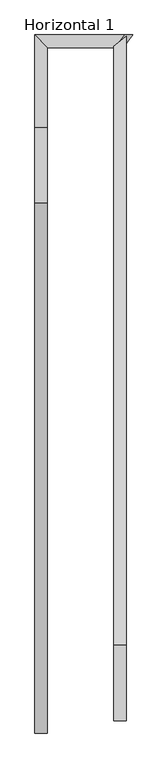
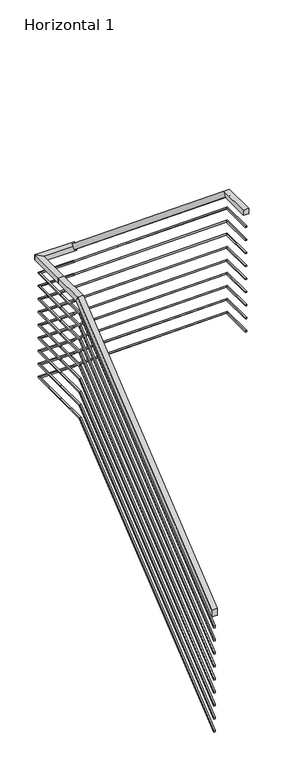
"""IFC4 building model written with IfcOpenShell, lengths in millimetres: railing geometry, Horizontal 1."""

from ifc_helpers import new_model, si_unit, origin, place, context, project, spatial, faceted_brep, source, transform, mapped, element, save


def horizontal_1_5c0a24bb(model_context):
    return source(origin(), model_context, "Body", "Brep", [
        faceted_brep([(16144.6, 16194.0, 4351.125), (16104.6, 16194.0, 4351.125), (16104.6, 16194.0, 4299.4270162), (16144.6, 16194.0, 4299.4270162), (16144.6, 17879.25, 5731.0), (16104.6, 17879.25, 5731.0), (16104.6, 17893.5368211, 5691.0), (16144.6, 17893.5368211, 5691.0), (16144.6, 18120.0, 5731.0), (16144.6, 18120.0, 5691.0), (16104.6, 18120.0, 5691.0), (16104.6, 18120.0, 5731.0)], [[[0, 1, 2, 3]], [[1, 0, 4, 5]], [[2, 1, 5, 6]], [[3, 2, 6, 7]], [[0, 3, 7, 4]], [[8, 9, 10, 11]], [[5, 4, 8, 11]], [[6, 5, 11, 10]], [[7, 6, 10, 9]], [[4, 7, 9, 8]]]),
        faceted_brep([(16144.6, 18120.0, 5731.0), (16104.6, 18120.0, 5731.0), (16104.6, 18120.0, 5691.0), (16144.6, 18120.0, 5691.0), (16144.6, 18375.4, 5731.0), (16144.6, 18375.4, 5691.0), (16104.6, 18415.4, 5691.0), (16104.6, 18415.4, 5731.0)], [[[0, 1, 2, 3]], [[4, 5, 6, 7]], [[1, 0, 4, 7]], [[2, 1, 7, 6]], [[3, 2, 6, 5]], [[0, 3, 5, 4]]]),
        faceted_brep([(16144.6, 18375.4, 5731.0), (16104.6, 18415.4, 5731.0), (16104.6, 18415.4, 5691.0), (16144.6, 18375.4, 5691.0), (16359.9255087, 18375.4, 5731.0), (16385.2663942, 18375.4, 5691.0), (16416.2153768, 18415.4, 5691.0), (16390.8744913, 18415.4, 5731.0)], [[[0, 1, 2, 3]], [[4, 5, 6, 7]], [[1, 0, 4, 7]], [[2, 1, 7, 6]], [[3, 2, 6, 5]], [[0, 3, 5, 4]]]),
        faceted_brep([(16355.4, 18379.9255087, 5747.4369017), (16395.4, 18410.8744913, 5722.0960162), (16395.4, 18385.5336058, 5691.1470337), (16355.4, 18354.5846232, 5716.4879192), (16355.4, 16474.0, 7308.0), (16395.4, 16474.0, 7308.0), (16395.4, 16459.7131789, 7268.0), (16355.4, 16459.7131789, 7268.0), (16355.4, 16233.25, 7308.0), (16355.4, 16233.25, 7268.0), (16395.4, 16233.25, 7268.0), (16395.4, 16233.25, 7308.0)], [[[0, 1, 2, 3]], [[1, 0, 4, 5]], [[2, 1, 5, 6]], [[3, 2, 6, 7]], [[0, 3, 7, 4]], [[8, 9, 10, 11]], [[5, 4, 8, 11]], [[6, 5, 11, 10]], [[7, 6, 10, 9]], [[4, 7, 9, 8]]]),
        faceted_brep([(16129.6, 16194.0, 4221.125), (16119.6, 16194.0, 4221.125), (16119.6, 16194.0, 4208.200504), (16129.6, 16194.0, 4208.200504), (16129.6, 17879.25, 5601.0), (16119.6, 17879.25, 5601.0), (16119.6, 17882.8217053, 5591.0), (16129.6, 17882.8217053, 5591.0), (16129.6, 18120.0, 5601.0), (16129.6, 18120.0, 5591.0), (16119.6, 18120.0, 5591.0), (16119.6, 18120.0, 5601.0)], [[[0, 1, 2, 3]], [[1, 0, 4, 5]], [[2, 1, 5, 6]], [[3, 2, 6, 7]], [[0, 3, 7, 4]], [[8, 9, 10, 11]], [[5, 4, 8, 11]], [[6, 5, 11, 10]], [[7, 6, 10, 9]], [[4, 7, 9, 8]]]),
        faceted_brep([(16129.6, 18120.0, 5601.0), (16119.6, 18120.0, 5601.0), (16119.6, 18120.0, 5591.0), (16129.6, 18120.0, 5591.0), (16129.6, 18390.4, 5601.0), (16129.6, 18390.4, 5591.0), (16119.6, 18400.4, 5591.0), (16119.6, 18400.4, 5601.0)], [[[0, 1, 2, 3]], [[4, 5, 6, 7]], [[1, 0, 4, 7]], [[2, 1, 7, 6]], [[3, 2, 6, 5]], [[0, 3, 5, 4]]]),
        faceted_brep([(16129.6, 18390.4, 5601.0), (16119.6, 18400.4, 5601.0), (16119.6, 18400.4, 5591.0), (16129.6, 18390.4, 5591.0), (16371.5313772, 18390.4, 5601.0), (16377.8665986, 18390.4, 5591.0), (16385.6038442, 18400.4, 5591.0), (16379.2686228, 18400.4, 5601.0)], [[[0, 1, 2, 3]], [[4, 5, 6, 7]], [[1, 0, 4, 7]], [[2, 1, 7, 6]], [[3, 2, 6, 5]], [[0, 3, 5, 4]]]),
        faceted_brep([(16370.4, 18391.5313772, 5607.9340697), (16380.4, 18399.2686228, 5601.5988483), (16380.4, 18392.9334014, 5593.8616027), (16370.4, 18385.1961558, 5600.196824), (16370.4, 16474.0, 7178.0), (16380.4, 16474.0, 7178.0), (16380.4, 16470.4282947, 7168.0), (16370.4, 16470.4282947, 7168.0), (16370.4, 16233.25, 7178.0), (16370.4, 16233.25, 7168.0), (16380.4, 16233.25, 7168.0), (16380.4, 16233.25, 7178.0)], [[[0, 1, 2, 3]], [[1, 0, 4, 5]], [[2, 1, 5, 6]], [[3, 2, 6, 7]], [[0, 3, 7, 4]], [[8, 9, 10, 11]], [[5, 4, 8, 11]], [[6, 5, 11, 10]], [[7, 6, 10, 9]], [[4, 7, 9, 8]]]),
        faceted_brep([(16129.6, 16194.0, 4121.125), (16119.6, 16194.0, 4121.125), (16119.6, 16194.0, 4108.200504), (16129.6, 16194.0, 4108.200504), (16129.6, 17879.25, 5501.0), (16119.6, 17879.25, 5501.0), (16119.6, 17882.8217053, 5491.0), (16129.6, 17882.8217053, 5491.0), (16129.6, 18120.0, 5501.0), (16129.6, 18120.0, 5491.0), (16119.6, 18120.0, 5491.0), (16119.6, 18120.0, 5501.0)], [[[0, 1, 2, 3]], [[1, 0, 4, 5]], [[2, 1, 5, 6]], [[3, 2, 6, 7]], [[0, 3, 7, 4]], [[8, 9, 10, 11]], [[5, 4, 8, 11]], [[6, 5, 11, 10]], [[7, 6, 10, 9]], [[4, 7, 9, 8]]]),
        faceted_brep([(16129.6, 18120.0, 5501.0), (16119.6, 18120.0, 5501.0), (16119.6, 18120.0, 5491.0), (16129.6, 18120.0, 5491.0), (16129.6, 18390.4, 5501.0), (16129.6, 18390.4, 5491.0), (16119.6, 18400.4, 5491.0), (16119.6, 18400.4, 5501.0)], [[[0, 1, 2, 3]], [[4, 5, 6, 7]], [[1, 0, 4, 7]], [[2, 1, 7, 6]], [[3, 2, 6, 5]], [[0, 3, 5, 4]]]),
        faceted_brep([(16129.6, 18390.4, 5501.0), (16119.6, 18400.4, 5501.0), (16119.6, 18400.4, 5491.0), (16129.6, 18390.4, 5491.0), (16371.5313772, 18390.4, 5501.0), (16377.8665986, 18390.4, 5491.0), (16385.6038442, 18400.4, 5491.0), (16379.2686228, 18400.4, 5501.0)], [[[0, 1, 2, 3]], [[4, 5, 6, 7]], [[1, 0, 4, 7]], [[2, 1, 7, 6]], [[3, 2, 6, 5]], [[0, 3, 5, 4]]]),
        faceted_brep([(16370.4, 18391.5313772, 5507.9340697), (16380.4, 18399.2686228, 5501.5988483), (16380.4, 18392.9334014, 5493.8616027), (16370.4, 18385.1961558, 5500.196824), (16370.4, 16474.0, 7078.0), (16380.4, 16474.0, 7078.0), (16380.4, 16470.4282947, 7068.0), (16370.4, 16470.4282947, 7068.0), (16370.4, 16233.25, 7078.0), (16370.4, 16233.25, 7068.0), (16380.4, 16233.25, 7068.0), (16380.4, 16233.25, 7078.0)], [[[0, 1, 2, 3]], [[1, 0, 4, 5]], [[2, 1, 5, 6]], [[3, 2, 6, 7]], [[0, 3, 7, 4]], [[8, 9, 10, 11]], [[5, 4, 8, 11]], [[6, 5, 11, 10]], [[7, 6, 10, 9]], [[4, 7, 9, 8]]]),
        faceted_brep([(16129.6, 16194.0, 4021.125), (16119.6, 16194.0, 4021.125), (16119.6, 16194.0, 4008.200504), (16129.6, 16194.0, 4008.200504), (16129.6, 17879.25, 5401.0), (16119.6, 17879.25, 5401.0), (16119.6, 17882.8217053, 5391.0), (16129.6, 17882.8217053, 5391.0), (16129.6, 18120.0, 5401.0), (16129.6, 18120.0, 5391.0), (16119.6, 18120.0, 5391.0), (16119.6, 18120.0, 5401.0)], [[[0, 1, 2, 3]], [[1, 0, 4, 5]], [[2, 1, 5, 6]], [[3, 2, 6, 7]], [[0, 3, 7, 4]], [[8, 9, 10, 11]], [[5, 4, 8, 11]], [[6, 5, 11, 10]], [[7, 6, 10, 9]], [[4, 7, 9, 8]]]),
        faceted_brep([(16129.6, 18120.0, 5401.0), (16119.6, 18120.0, 5401.0), (16119.6, 18120.0, 5391.0), (16129.6, 18120.0, 5391.0), (16129.6, 18390.4, 5401.0), (16129.6, 18390.4, 5391.0), (16119.6, 18400.4, 5391.0), (16119.6, 18400.4, 5401.0)], [[[0, 1, 2, 3]], [[4, 5, 6, 7]], [[1, 0, 4, 7]], [[2, 1, 7, 6]], [[3, 2, 6, 5]], [[0, 3, 5, 4]]]),
        faceted_brep([(16129.6, 18390.4, 5401.0), (16119.6, 18400.4, 5401.0), (16119.6, 18400.4, 5391.0), (16129.6, 18390.4, 5391.0), (16371.5313772, 18390.4, 5401.0), (16377.8665986, 18390.4, 5391.0), (16385.6038442, 18400.4, 5391.0), (16379.2686228, 18400.4, 5401.0)], [[[0, 1, 2, 3]], [[4, 5, 6, 7]], [[1, 0, 4, 7]], [[2, 1, 7, 6]], [[3, 2, 6, 5]], [[0, 3, 5, 4]]]),
        faceted_brep([(16370.4, 18391.5313772, 5407.9340697), (16380.4, 18399.2686228, 5401.5988483), (16380.4, 18392.9334014, 5393.8616027), (16370.4, 18385.1961558, 5400.196824), (16370.4, 16474.0, 6978.0), (16380.4, 16474.0, 6978.0), (16380.4, 16470.4282947, 6968.0), (16370.4, 16470.4282947, 6968.0), (16370.4, 16233.25, 6978.0), (16370.4, 16233.25, 6968.0), (16380.4, 16233.25, 6968.0), (16380.4, 16233.25, 6978.0)], [[[0, 1, 2, 3]], [[1, 0, 4, 5]], [[2, 1, 5, 6]], [[3, 2, 6, 7]], [[0, 3, 7, 4]], [[8, 9, 10, 11]], [[5, 4, 8, 11]], [[6, 5, 11, 10]], [[7, 6, 10, 9]], [[4, 7, 9, 8]]]),
        faceted_brep([(16129.6, 16194.0, 3921.125), (16119.6, 16194.0, 3921.125), (16119.6, 16194.0, 3908.200504), (16129.6, 16194.0, 3908.200504), (16129.6, 17879.25, 5301.0), (16119.6, 17879.25, 5301.0), (16119.6, 17882.8217053, 5291.0), (16129.6, 17882.8217053, 5291.0), (16129.6, 18120.0, 5301.0), (16129.6, 18120.0, 5291.0), (16119.6, 18120.0, 5291.0), (16119.6, 18120.0, 5301.0)], [[[0, 1, 2, 3]], [[1, 0, 4, 5]], [[2, 1, 5, 6]], [[3, 2, 6, 7]], [[0, 3, 7, 4]], [[8, 9, 10, 11]], [[5, 4, 8, 11]], [[6, 5, 11, 10]], [[7, 6, 10, 9]], [[4, 7, 9, 8]]]),
        faceted_brep([(16129.6, 18120.0, 5301.0), (16119.6, 18120.0, 5301.0), (16119.6, 18120.0, 5291.0), (16129.6, 18120.0, 5291.0), (16129.6, 18390.4, 5301.0), (16129.6, 18390.4, 5291.0), (16119.6, 18400.4, 5291.0), (16119.6, 18400.4, 5301.0)], [[[0, 1, 2, 3]], [[4, 5, 6, 7]], [[1, 0, 4, 7]], [[2, 1, 7, 6]], [[3, 2, 6, 5]], [[0, 3, 5, 4]]]),
        faceted_brep([(16129.6, 18390.4, 5301.0), (16119.6, 18400.4, 5301.0), (16119.6, 18400.4, 5291.0), (16129.6, 18390.4, 5291.0), (16371.5313772, 18390.4, 5301.0), (16377.8665986, 18390.4, 5291.0), (16385.6038442, 18400.4, 5291.0), (16379.2686228, 18400.4, 5301.0)], [[[0, 1, 2, 3]], [[4, 5, 6, 7]], [[1, 0, 4, 7]], [[2, 1, 7, 6]], [[3, 2, 6, 5]], [[0, 3, 5, 4]]]),
        faceted_brep([(16370.4, 18391.5313772, 5307.9340697), (16380.4, 18399.2686228, 5301.5988483), (16380.4, 18392.9334014, 5293.8616027), (16370.4, 18385.1961558, 5300.196824), (16370.4, 16474.0, 6878.0), (16380.4, 16474.0, 6878.0), (16380.4, 16470.4282947, 6868.0), (16370.4, 16470.4282947, 6868.0), (16370.4, 16233.25, 6878.0), (16370.4, 16233.25, 6868.0), (16380.4, 16233.25, 6868.0), (16380.4, 16233.25, 6878.0)], [[[0, 1, 2, 3]], [[1, 0, 4, 5]], [[2, 1, 5, 6]], [[3, 2, 6, 7]], [[0, 3, 7, 4]], [[8, 9, 10, 11]], [[5, 4, 8, 11]], [[6, 5, 11, 10]], [[7, 6, 10, 9]], [[4, 7, 9, 8]]]),
        faceted_brep([(16129.6, 16194.0, 3821.125), (16119.6, 16194.0, 3821.125), (16119.6, 16194.0, 3808.200504), (16129.6, 16194.0, 3808.200504), (16129.6, 17879.25, 5201.0), (16119.6, 17879.25, 5201.0), (16119.6, 17882.8217053, 5191.0), (16129.6, 17882.8217053, 5191.0), (16129.6, 18120.0, 5201.0), (16129.6, 18120.0, 5191.0), (16119.6, 18120.0, 5191.0), (16119.6, 18120.0, 5201.0)], [[[0, 1, 2, 3]], [[1, 0, 4, 5]], [[2, 1, 5, 6]], [[3, 2, 6, 7]], [[0, 3, 7, 4]], [[8, 9, 10, 11]], [[5, 4, 8, 11]], [[6, 5, 11, 10]], [[7, 6, 10, 9]], [[4, 7, 9, 8]]]),
        faceted_brep([(16129.6, 18120.0, 5201.0), (16119.6, 18120.0, 5201.0), (16119.6, 18120.0, 5191.0), (16129.6, 18120.0, 5191.0), (16129.6, 18390.4, 5201.0), (16129.6, 18390.4, 5191.0), (16119.6, 18400.4, 5191.0), (16119.6, 18400.4, 5201.0)], [[[0, 1, 2, 3]], [[4, 5, 6, 7]], [[1, 0, 4, 7]], [[2, 1, 7, 6]], [[3, 2, 6, 5]], [[0, 3, 5, 4]]]),
        faceted_brep([(16129.6, 18390.4, 5201.0), (16119.6, 18400.4, 5201.0), (16119.6, 18400.4, 5191.0), (16129.6, 18390.4, 5191.0), (16371.5313772, 18390.4, 5201.0), (16377.8665986, 18390.4, 5191.0), (16385.6038442, 18400.4, 5191.0), (16379.2686228, 18400.4, 5201.0)], [[[0, 1, 2, 3]], [[4, 5, 6, 7]], [[1, 0, 4, 7]], [[2, 1, 7, 6]], [[3, 2, 6, 5]], [[0, 3, 5, 4]]]),
        faceted_brep([(16370.4, 18391.5313772, 5207.9340697), (16380.4, 18399.2686228, 5201.5988483), (16380.4, 18392.9334014, 5193.8616027), (16370.4, 18385.1961558, 5200.196824), (16370.4, 16474.0, 6778.0), (16380.4, 16474.0, 6778.0), (16380.4, 16470.4282947, 6768.0), (16370.4, 16470.4282947, 6768.0), (16370.4, 16233.25, 6778.0), (16370.4, 16233.25, 6768.0), (16380.4, 16233.25, 6768.0), (16380.4, 16233.25, 6778.0)], [[[0, 1, 2, 3]], [[1, 0, 4, 5]], [[2, 1, 5, 6]], [[3, 2, 6, 7]], [[0, 3, 7, 4]], [[8, 9, 10, 11]], [[5, 4, 8, 11]], [[6, 5, 11, 10]], [[7, 6, 10, 9]], [[4, 7, 9, 8]]]),
        faceted_brep([(16129.6, 16194.0, 3721.125), (16119.6, 16194.0, 3721.125), (16119.6, 16194.0, 3708.200504), (16129.6, 16194.0, 3708.200504), (16129.6, 17879.25, 5101.0), (16119.6, 17879.25, 5101.0), (16119.6, 17882.8217053, 5091.0), (16129.6, 17882.8217053, 5091.0), (16129.6, 18120.0, 5101.0), (16129.6, 18120.0, 5091.0), (16119.6, 18120.0, 5091.0), (16119.6, 18120.0, 5101.0)], [[[0, 1, 2, 3]], [[1, 0, 4, 5]], [[2, 1, 5, 6]], [[3, 2, 6, 7]], [[0, 3, 7, 4]], [[8, 9, 10, 11]], [[5, 4, 8, 11]], [[6, 5, 11, 10]], [[7, 6, 10, 9]], [[4, 7, 9, 8]]]),
        faceted_brep([(16129.6, 18120.0, 5101.0), (16119.6, 18120.0, 5101.0), (16119.6, 18120.0, 5091.0), (16129.6, 18120.0, 5091.0), (16129.6, 18390.4, 5101.0), (16129.6, 18390.4, 5091.0), (16119.6, 18400.4, 5091.0), (16119.6, 18400.4, 5101.0)], [[[0, 1, 2, 3]], [[4, 5, 6, 7]], [[1, 0, 4, 7]], [[2, 1, 7, 6]], [[3, 2, 6, 5]], [[0, 3, 5, 4]]]),
        faceted_brep([(16129.6, 18390.4, 5101.0), (16119.6, 18400.4, 5101.0), (16119.6, 18400.4, 5091.0), (16129.6, 18390.4, 5091.0), (16371.5313772, 18390.4, 5101.0), (16377.8665986, 18390.4, 5091.0), (16385.6038442, 18400.4, 5091.0), (16379.2686228, 18400.4, 5101.0)], [[[0, 1, 2, 3]], [[4, 5, 6, 7]], [[1, 0, 4, 7]], [[2, 1, 7, 6]], [[3, 2, 6, 5]], [[0, 3, 5, 4]]]),
        faceted_brep([(16370.4, 18391.5313772, 5107.9340697), (16380.4, 18399.2686228, 5101.5988483), (16380.4, 18392.9334014, 5093.8616027), (16370.4, 18385.1961558, 5100.196824), (16370.4, 16474.0, 6678.0), (16380.4, 16474.0, 6678.0), (16380.4, 16470.4282947, 6668.0), (16370.4, 16470.4282947, 6668.0), (16370.4, 16233.25, 6678.0), (16370.4, 16233.25, 6668.0), (16380.4, 16233.25, 6668.0), (16380.4, 16233.25, 6678.0)], [[[0, 1, 2, 3]], [[1, 0, 4, 5]], [[2, 1, 5, 6]], [[3, 2, 6, 7]], [[0, 3, 7, 4]], [[8, 9, 10, 11]], [[5, 4, 8, 11]], [[6, 5, 11, 10]], [[7, 6, 10, 9]], [[4, 7, 9, 8]]]),
        faceted_brep([(16129.6, 16194.0, 3621.125), (16119.6, 16194.0, 3621.125), (16119.6, 16194.0, 3608.200504), (16129.6, 16194.0, 3608.200504), (16129.6, 17879.25, 5001.0), (16119.6, 17879.25, 5001.0), (16119.6, 17882.8217053, 4991.0), (16129.6, 17882.8217053, 4991.0), (16129.6, 18120.0, 5001.0), (16129.6, 18120.0, 4991.0), (16119.6, 18120.0, 4991.0), (16119.6, 18120.0, 5001.0)], [[[0, 1, 2, 3]], [[1, 0, 4, 5]], [[2, 1, 5, 6]], [[3, 2, 6, 7]], [[0, 3, 7, 4]], [[8, 9, 10, 11]], [[5, 4, 8, 11]], [[6, 5, 11, 10]], [[7, 6, 10, 9]], [[4, 7, 9, 8]]]),
        faceted_brep([(16129.6, 18120.0, 5001.0), (16119.6, 18120.0, 5001.0), (16119.6, 18120.0, 4991.0), (16129.6, 18120.0, 4991.0), (16129.6, 18390.4, 5001.0), (16129.6, 18390.4, 4991.0), (16119.6, 18400.4, 4991.0), (16119.6, 18400.4, 5001.0)], [[[0, 1, 2, 3]], [[4, 5, 6, 7]], [[1, 0, 4, 7]], [[2, 1, 7, 6]], [[3, 2, 6, 5]], [[0, 3, 5, 4]]]),
        faceted_brep([(16129.6, 18390.4, 5001.0), (16119.6, 18400.4, 5001.0), (16119.6, 18400.4, 4991.0), (16129.6, 18390.4, 4991.0), (16371.5313772, 18390.4, 5001.0), (16377.8665986, 18390.4, 4991.0), (16385.6038442, 18400.4, 4991.0), (16379.2686228, 18400.4, 5001.0)], [[[0, 1, 2, 3]], [[4, 5, 6, 7]], [[1, 0, 4, 7]], [[2, 1, 7, 6]], [[3, 2, 6, 5]], [[0, 3, 5, 4]]]),
        faceted_brep([(16370.4, 18391.5313772, 5007.9340697), (16380.4, 18399.2686228, 5001.5988483), (16380.4, 18392.9334014, 4993.8616027), (16370.4, 18385.1961558, 5000.196824), (16370.4, 16474.0, 6578.0), (16380.4, 16474.0, 6578.0), (16380.4, 16470.4282947, 6568.0), (16370.4, 16470.4282947, 6568.0), (16370.4, 16233.25, 6578.0), (16370.4, 16233.25, 6568.0), (16380.4, 16233.25, 6568.0), (16380.4, 16233.25, 6578.0)], [[[0, 1, 2, 3]], [[1, 0, 4, 5]], [[2, 1, 5, 6]], [[3, 2, 6, 7]], [[0, 3, 7, 4]], [[8, 9, 10, 11]], [[5, 4, 8, 11]], [[6, 5, 11, 10]], [[7, 6, 10, 9]], [[4, 7, 9, 8]]]),
        faceted_brep([(16129.6, 16194.0, 3521.125), (16119.6, 16194.0, 3521.125), (16119.6, 16194.0, 3508.200504), (16129.6, 16194.0, 3508.200504), (16129.6, 17879.25, 4901.0), (16119.6, 17879.25, 4901.0), (16119.6, 17882.8217053, 4891.0), (16129.6, 17882.8217053, 4891.0), (16129.6, 18120.0, 4901.0), (16129.6, 18120.0, 4891.0), (16119.6, 18120.0, 4891.0), (16119.6, 18120.0, 4901.0)], [[[0, 1, 2, 3]], [[1, 0, 4, 5]], [[2, 1, 5, 6]], [[3, 2, 6, 7]], [[0, 3, 7, 4]], [[8, 9, 10, 11]], [[5, 4, 8, 11]], [[6, 5, 11, 10]], [[7, 6, 10, 9]], [[4, 7, 9, 8]]]),
        faceted_brep([(16129.6, 18120.0, 4901.0), (16119.6, 18120.0, 4901.0), (16119.6, 18120.0, 4891.0), (16129.6, 18120.0, 4891.0), (16129.6, 18390.4, 4901.0), (16129.6, 18390.4, 4891.0), (16119.6, 18400.4, 4891.0), (16119.6, 18400.4, 4901.0)], [[[0, 1, 2, 3]], [[4, 5, 6, 7]], [[1, 0, 4, 7]], [[2, 1, 7, 6]], [[3, 2, 6, 5]], [[0, 3, 5, 4]]]),
        faceted_brep([(16129.6, 18390.4, 4901.0), (16119.6, 18400.4, 4901.0), (16119.6, 18400.4, 4891.0), (16129.6, 18390.4, 4891.0), (16371.5313772, 18390.4, 4901.0), (16377.8665986, 18390.4, 4891.0), (16385.6038442, 18400.4, 4891.0), (16379.2686228, 18400.4, 4901.0)], [[[0, 1, 2, 3]], [[4, 5, 6, 7]], [[1, 0, 4, 7]], [[2, 1, 7, 6]], [[3, 2, 6, 5]], [[0, 3, 5, 4]]]),
        faceted_brep([(16370.4, 18391.5313772, 4907.9340697), (16380.4, 18399.2686228, 4901.5988483), (16380.4, 18392.9334014, 4893.8616027), (16370.4, 18385.1961558, 4900.196824), (16370.4, 16474.0, 6478.0), (16380.4, 16474.0, 6478.0), (16380.4, 16470.4282947, 6468.0), (16370.4, 16470.4282947, 6468.0), (16370.4, 16233.25, 6478.0), (16370.4, 16233.25, 6468.0), (16380.4, 16233.25, 6468.0), (16380.4, 16233.25, 6478.0)], [[[0, 1, 2, 3]], [[1, 0, 4, 5]], [[2, 1, 5, 6]], [[3, 2, 6, 7]], [[0, 3, 7, 4]], [[8, 9, 10, 11]], [[5, 4, 8, 11]], [[6, 5, 11, 10]], [[7, 6, 10, 9]], [[4, 7, 9, 8]]]),
        faceted_brep([(16129.6, 16194.0, 3421.125), (16119.6, 16194.0, 3421.125), (16119.6, 16194.0, 3408.200504), (16129.6, 16194.0, 3408.200504), (16129.6, 17879.25, 4801.0), (16119.6, 17879.25, 4801.0), (16119.6, 17882.8217053, 4791.0), (16129.6, 17882.8217053, 4791.0), (16129.6, 18120.0, 4801.0), (16129.6, 18120.0, 4791.0), (16119.6, 18120.0, 4791.0), (16119.6, 18120.0, 4801.0)], [[[0, 1, 2, 3]], [[1, 0, 4, 5]], [[2, 1, 5, 6]], [[3, 2, 6, 7]], [[0, 3, 7, 4]], [[8, 9, 10, 11]], [[5, 4, 8, 11]], [[6, 5, 11, 10]], [[7, 6, 10, 9]], [[4, 7, 9, 8]]]),
        faceted_brep([(16129.6, 18120.0, 4801.0), (16119.6, 18120.0, 4801.0), (16119.6, 18120.0, 4791.0), (16129.6, 18120.0, 4791.0), (16129.6, 18390.4, 4801.0), (16129.6, 18390.4, 4791.0), (16119.6, 18400.4, 4791.0), (16119.6, 18400.4, 4801.0)], [[[0, 1, 2, 3]], [[4, 5, 6, 7]], [[1, 0, 4, 7]], [[2, 1, 7, 6]], [[3, 2, 6, 5]], [[0, 3, 5, 4]]]),
        faceted_brep([(16129.6, 18390.4, 4801.0), (16119.6, 18400.4, 4801.0), (16119.6, 18400.4, 4791.0), (16129.6, 18390.4, 4791.0), (16371.5313772, 18390.4, 4801.0), (16377.8665986, 18390.4, 4791.0), (16385.6038442, 18400.4, 4791.0), (16379.2686228, 18400.4, 4801.0)], [[[0, 1, 2, 3]], [[4, 5, 6, 7]], [[1, 0, 4, 7]], [[2, 1, 7, 6]], [[3, 2, 6, 5]], [[0, 3, 5, 4]]]),
        faceted_brep([(16370.4, 18391.5313772, 4807.9340697), (16380.4, 18399.2686228, 4801.5988483), (16380.4, 18392.9334014, 4793.8616027), (16370.4, 18385.1961558, 4800.196824), (16370.4, 16474.0, 6378.0), (16380.4, 16474.0, 6378.0), (16380.4, 16470.4282947, 6368.0), (16370.4, 16470.4282947, 6368.0), (16370.4, 16233.25, 6378.0), (16370.4, 16233.25, 6368.0), (16380.4, 16233.25, 6368.0), (16380.4, 16233.25, 6378.0)], [[[0, 1, 2, 3]], [[1, 0, 4, 5]], [[2, 1, 5, 6]], [[3, 2, 6, 7]], [[0, 3, 7, 4]], [[8, 9, 10, 11]], [[5, 4, 8, 11]], [[6, 5, 11, 10]], [[7, 6, 10, 9]], [[4, 7, 9, 8]]]),
    ])


if __name__ == "__main__":
    model = new_model("IFC4")
    model_context = context("Model", 3, world=origin())
    ifc_project = project(units=[si_unit("LENGTHUNIT", "METRE", prefix="MILLI")], contexts=[model_context])
    site = spatial("IfcSite", under=ifc_project)
    building = spatial("IfcBuilding", under=site)
    placement = place(None, origin())
    horizontal_1_shape = horizontal_1_5c0a24bb(model_context)
    element("IfcRailing", 1, ObjectType="Horizontal 1", at=placement, inside=building, context=model_context, shape_type="MappedRepresentation", body=[
        mapped(horizontal_1_shape, transform((0.0, 0.0, 0.0), x_axis=(1.0, 0.0, 0.0), y_axis=(0.0, 1.0, 0.0), z_axis=(0.0, 0.0, 1.0))),
    ])
    save(model, "model.ifc")
